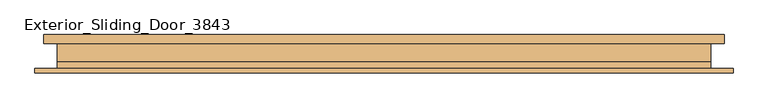
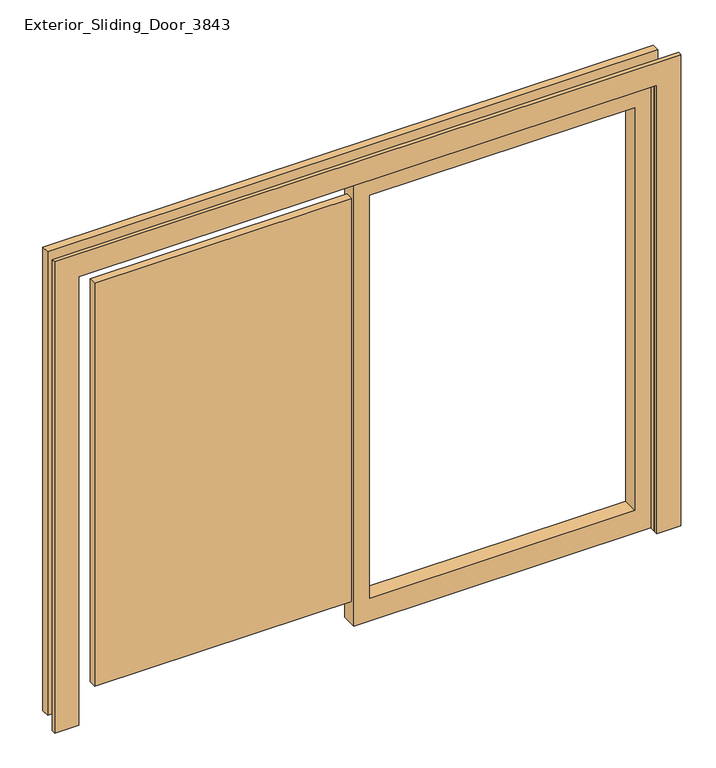
"""IFC4 building model written with IfcOpenShell, lengths in millimetres: door geometry, Exterior_Sliding_Door_3843."""

from ifc_helpers import new_model, si_unit, frame, origin, place, context, project, spatial, polyline, outline, extrude, source, transform, mapped, element, save


def exterior_sliding_door_3843_f47c8bdb(model_context):
    return source(origin(), model_context, "Body", "SweptSolid", [
        extrude(outline(polyline([(1500.0, 914.4), (1500.0, -25.4), (0.0, -25.4), (0.0, 914.4), (1500.0, 914.4)]), holes=[polyline([(1423.8, 863.6), (76.2, 863.6), (76.2, 25.4), (1423.8, 25.4), (1423.8, 863.6)])]), frame((0.0, 111.2, 0.0), z_axis=(0.0, 1.0, 0.0), x_axis=(0.0, 0.0, 1.0)), (0.0, 0.0, 1.0), 50.8),
        extrude(outline(polyline([(0.0, -990.6), (0.0, -914.4), (1500.0, -914.4), (1500.0, 914.4), (0.0, 914.4), (0.0, 990.6), (1576.2, 990.6), (1576.2, -990.6), (0.0, -990.6)])), frame((0.0, 79.3, 0.0), z_axis=(0.0, 1.0, 0.0), x_axis=(0.0, 0.0, 1.0)), (0.0, 0.0, 1.0), 12.7),
        extrude(outline(polyline([(0.0, 965.2), (1550.8, 965.2), (1550.8, -965.2), (0.0, -965.2), (0.0, -914.4), (1500.0, -914.4), (1500.0, 914.4), (0.0, 914.4), (0.0, 965.2)])), frame((0.0, 162.0, 0.0), z_axis=(0.0, 1.0, 0.0), x_axis=(0.0, 0.0, 1.0)), (0.0, 0.0, 1.0), 25.4),
        extrude(outline(polyline([(0.0, 914.4), (0.0, 927.1), (1512.7, 927.1), (1512.7, -927.1), (0.0, -927.1), (0.0, -914.4), (1500.0, -914.4), (1500.0, 914.4), (0.0, 914.4)])), frame((0.0, 111.2, 0.0), z_axis=(0.0, 1.0, 0.0), x_axis=(0.0, 0.0, 1.0)), (0.0, 0.0, 1.0), 50.8),
        extrude(outline(polyline([(0.0, 914.4), (0.0, 927.1), (1512.7, 927.1), (1512.7, -927.1), (0.0, -927.1), (0.0, -914.4), (1500.0, -914.4), (1500.0, 914.4), (0.0, 914.4)])), frame((0.0, 92.0, 0.0), z_axis=(0.0, 1.0, 0.0), x_axis=(0.0, 0.0, 1.0)), (0.0, 0.0, 1.0), 19.2),
        extrude(outline(polyline([(-838.2, 149.3), (0.0, 149.3), (0.0, 123.9), (-838.2, 123.9), (-838.2, 149.3)])), frame((0.0, 0.0, 76.2), z_axis=(0.0, 0.0, 1.0), x_axis=(1.0, 0.0, 0.0)), (0.0, 0.0, 1.0), 1347.6),
    ])


if __name__ == "__main__":
    model = new_model("IFC4")
    model_context = context("Model", 3, world=origin())
    ifc_project = project(units=[si_unit("LENGTHUNIT", "METRE", prefix="MILLI")], contexts=[model_context])
    site = spatial("IfcSite", under=ifc_project)
    building = spatial("IfcBuilding", under=site)
    placement = place(None, origin())
    exterior_sliding_door_3843_shape = exterior_sliding_door_3843_f47c8bdb(model_context)
    element("IfcDoor", 1, ObjectType="Exterior_Sliding_Door_3843", at=placement, inside=building, context=model_context, shape_type="MappedRepresentation", body=[
        mapped(exterior_sliding_door_3843_shape, transform((0.0, 0.0, 0.0), x_axis=(1.0, 0.0, 0.0), y_axis=(0.0, 1.0, 0.0), z_axis=(0.0, 0.0, 1.0))),
    ])
    save(model, "model.ifc")
